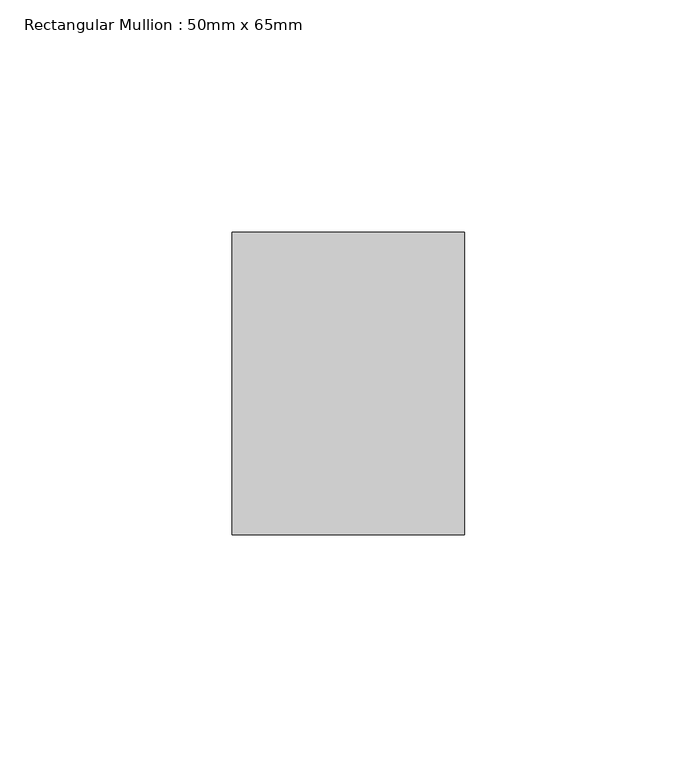
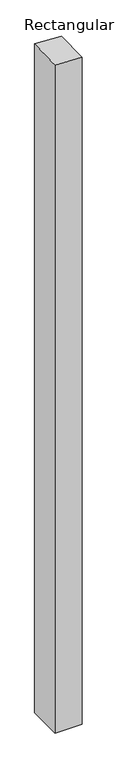
"""IFC4 building model written with IfcOpenShell, lengths in millimetres: member geometry, Rectangular Mullion : 50mm x 65mm."""

from ifc_helpers import new_model, si_unit, origin, place, context, project, spatial, faceted_brep, source, transform, mapped, element, save


def rectangular_mullion_50mm_x_65mm_acfabf16(model_context):
    return source(origin(), model_context, "Body", "Brep", [
        faceted_brep([(25.0, 32.5, -1308.7692109), (25.0, -32.5, -1308.7692109), (-25.0, -32.5, -1308.7692109), (-25.0, 32.5, -1308.7692109), (-25.0, 32.5, 2.1791307), (25.0, 32.5, 0.020097), (-25.0, -32.5, -0.020097), (25.0, -32.5, -2.1791307)], [[[0, 1, 2, 3]], [[4, 5, 0, 3]], [[6, 4, 3, 2]], [[7, 6, 2, 1]], [[5, 7, 1, 0]], [[5, 4, 6, 7]]]),
    ])


if __name__ == "__main__":
    model = new_model("IFC4")
    model_context = context("Model", 3, world=origin())
    ifc_project = project(units=[si_unit("LENGTHUNIT", "METRE", prefix="MILLI")], contexts=[model_context])
    site = spatial("IfcSite", under=ifc_project)
    building = spatial("IfcBuilding", under=site)
    placement = place(None, origin())
    rectangular_mullion_50mm_x_65mm_shape = rectangular_mullion_50mm_x_65mm_acfabf16(model_context)
    element("IfcMember", 1, ObjectType="Rectangular Mullion : 50mm x 65mm", at=placement, inside=building, context=model_context, shape_type="MappedRepresentation", body=[
        mapped(rectangular_mullion_50mm_x_65mm_shape, transform((0.0, 0.0, 0.0), x_axis=(1.0, 0.0, 0.0), y_axis=(0.0, 1.0, 0.0), z_axis=(0.0, 0.0, 1.0))),
    ])
    save(model, "model.ifc")
